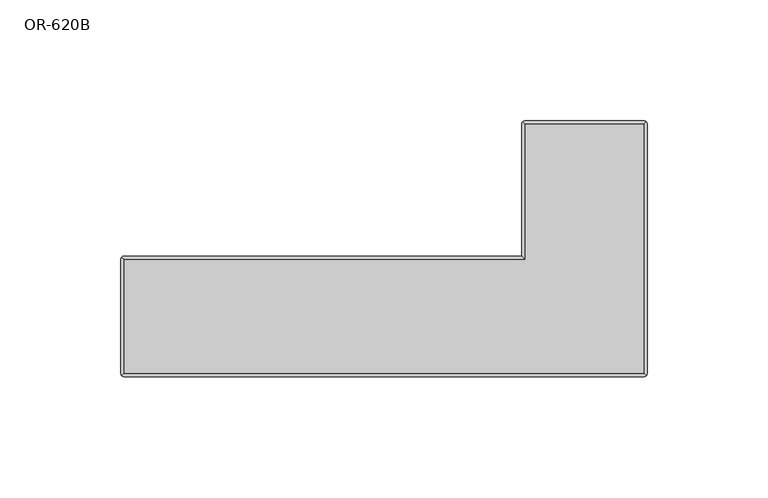
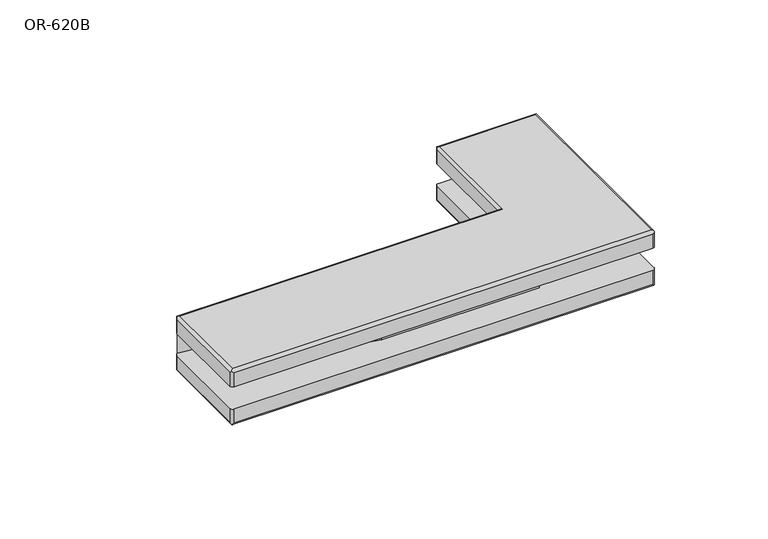
"""IFC4 building model written with IfcOpenShell, lengths in millimetres: proxy geometry, OR-620B."""

from ifc_helpers import new_model, si_unit, point, frame, frame_2d, origin, place, context, project, spatial, polyline, circle_curve, ellipse_curve, trimmed, segment, composite_curve, outline, extrude, source, transform, mapped, element, save
from ifc_brep_helpers import plane_surface, cylinder_surface, advanced_brep


def or_620b_b1f61013(model_context):
    return source(origin(), model_context, "Body", "SolidModel", [
        extrude(outline(composite_curve([segment(trimmed(circle_curve(frame_2d((-13.1737193, 70.4813944)), 82.7129477), [point((-24.0, -11.5199676))], [point((-69.1339955, 9.5726166))], False, "CARTESIAN"), True, "CONTINUOUS"), segment(trimmed(circle_curve(frame_2d((-108.74459, -33.5406963)), 58.547049), [point((-69.1339955, 9.5726166))], [point((-107.882136, 25.0))], True, "CARTESIAN"), True, "CONTINUOUS"), segment(polyline([(-107.882136, 25.0), (-24.0, 25.0), (-24.0, 15.0), (6.0, 15.0), (6.0, 25.0), (57.0, 25.0), (57.0, -11.5199676), (-24.0, -11.5199676)]), True, "CONTINUOUS")], self_intersect=False)), frame((0.0, 0.0, -12.0), z_axis=(0.0, 0.0, 1.0), x_axis=(1.0, 0.0, 0.0)), (0.0, 0.0, 1.0), 12.0),
        advanced_brep(
        [(57.0, 25.0, -12.0), (-107.5, 25.0, -12.0), (-109.0, 23.5, -12.0), (-109.0, -23.5, -12.0), (-107.5, -25.0, -12.0), (107.5, -25.0, -12.0), (109.0, -23.5, -12.0), (109.0, 79.5, -12.0), (107.5, 81.0, -12.0), (58.5, 81.0, -12.0), (57.0, 79.5, -12.0), (107.5, 79.5, -21.0), (107.5, -23.5, -21.0), (-107.5, -23.5, -21.0), (-107.5, 23.5, -21.0), (58.5, 23.5, -21.0), (58.5, 79.5, -21.0), (57.0, 25.0, -19.5), (-107.5, 25.0, -19.5), (-109.0, 23.5, -19.5), (-109.0, -23.5, -19.5), (-107.5, -25.0, -19.5), (107.5, -25.0, -19.5), (109.0, -23.5, -19.5), (109.0, 79.5, -19.5), (108.5606602, -24.5606602, -20.5606602), (108.5606602, 80.5606602, -20.5606602), (107.5, 81.0, -19.5), (-108.5606602, -24.5606602, -20.5606602), (-108.5606602, 24.5606602, -20.5606602), (58.5, 81.0, -19.5), (57.0, 79.5, -19.5), (57.4393398, 80.5606602, -20.5606602)],
        [
            (0, 1),
            (1, 2, circle_curve(frame((-107.5, 23.5, -12.0), z_axis=(0.0, 0.0, 1.0), x_axis=(0.0, 1.0, 0.0)), 1.5)),
            (2, 3),
            (3, 4, circle_curve(frame((-107.5, -23.5, -12.0), z_axis=(0.0, 0.0, 1.0), x_axis=(0.0, 1.0, 0.0)), 1.5)),
            (4, 5),
            (5, 6, circle_curve(frame((107.5, -23.5, -12.0), z_axis=(0.0, 0.0, 1.0), x_axis=(0.0, 1.0, 0.0)), 1.5)),
            (6, 7),
            (7, 8, circle_curve(frame((107.5, 79.5, -12.0), z_axis=(0.0, 0.0, 1.0), x_axis=(0.0, 1.0, 0.0)), 1.5)),
            (8, 9),
            (9, 10, circle_curve(frame((58.5, 79.5, -12.0), z_axis=(0.0, 0.0, 1.0), x_axis=(0.0, -1.0, 0.0)), 1.5)),
            (10, 0),
            (11, 12),
            (12, 13),
            (13, 14),
            (14, 15),
            (15, 16),
            (16, 11),
            (0, 17),
            (17, 18),
            (18, 1),
            (2, 19),
            (19, 20),
            (20, 3),
            (4, 21),
            (21, 22),
            (22, 5),
            (6, 23),
            (23, 24),
            (24, 7),
            (22, 25, ellipse_curve(frame((107.5, -23.5, -19.5), z_axis=(0.7071067811865475, 0.0, 0.7071067811865475), x_axis=(-0.7071067811865474, 0.0, 0.7071067811865476)), 2.1213203, 1.5)),
            (25, 23, ellipse_curve(frame((107.5, -23.5, -19.5), z_axis=(0.0, -0.7071067811865475, 0.7071067811865475), x_axis=(0.0, 0.7071067811865474, 0.7071067811865476)), 2.1213203, 1.5)),
            (24, 26, ellipse_curve(frame((107.5, 79.5, -19.5), z_axis=(0.0, 0.7071067811865475, 0.7071067811865475), x_axis=(0.0, -0.7071067811865474, 0.7071067811865476)), 2.1213203, 1.5)),
            (26, 27, ellipse_curve(frame((107.5, 79.5, -19.5), z_axis=(0.7071067811865475, 0.0, 0.7071067811865475), x_axis=(-0.7071067811865474, 0.0, 0.7071067811865476)), 2.1213203, 1.5)),
            (27, 8),
            (20, 28, ellipse_curve(frame((-107.5, -23.5, -19.5), z_axis=(0.0, -0.7071067811865475, 0.7071067811865475), x_axis=(0.0, 0.7071067811865474, 0.7071067811865476)), 2.1213203, 1.5)),
            (28, 21, ellipse_curve(frame((-107.5, -23.5, -19.5), z_axis=(-0.7071067811865475, 0.0, 0.7071067811865475), x_axis=(0.7071067811865474, 0.0, 0.7071067811865476)), 2.1213203, 1.5)),
            (18, 29, ellipse_curve(frame((-107.5, 23.5, -19.5), z_axis=(-0.7071067811865475, 0.0, 0.7071067811865475), x_axis=(0.7071067811865474, 0.0, 0.7071067811865476)), 2.1213203, 1.5)),
            (29, 19, ellipse_curve(frame((-107.5, 23.5, -19.5), z_axis=(0.0, 0.7071067811865475, 0.7071067811865475), x_axis=(0.0, -0.7071067811865474, 0.7071067811865476)), 2.1213203, 1.5)),
            (25, 12, ellipse_curve(frame((107.5, -23.5, -19.5), z_axis=(0.7071067811865476, 0.7071067811865475, 0.0), x_axis=(0.7071067811865475, -0.7071067811865475, 0.0)), 2.1213203, 1.5)),
            (11, 26, ellipse_curve(frame((107.5, 79.5, -19.5), z_axis=(0.7071067811865464, -0.7071067811865488, 0.0), x_axis=(-0.7071067811865487, -0.7071067811865462, 0.0)), 2.1213203, 1.5)),
            (28, 13, ellipse_curve(frame((-107.5, -23.5, -19.5), z_axis=(0.7071067811865475, -0.7071067811865476, 0.0), x_axis=(-0.7071067811865475, -0.7071067811865475, 0.0)), 2.1213203, 1.5)),
            (29, 14, ellipse_curve(frame((-107.5, 23.5, -19.5), z_axis=(-0.7071067811865476, -0.7071067811865475, 0.0), x_axis=(-0.7071067811865475, 0.7071067811865475, 0.0)), 2.1213203, 1.5)),
            (17, 15, ellipse_curve(frame((58.5, 23.5, -19.5), z_axis=(-0.7071067811865481, -0.7071067811865468, 0.0), x_axis=(0.707106781186547, -0.707106781186548, 0.0)), 2.1213203, 1.5)),
            (27, 30),
            (30, 9),
            (10, 31),
            (31, 17),
            (31, 32, ellipse_curve(frame((58.5, 79.5, -19.5), z_axis=(0.0, -0.7071067811865475, -0.7071067811865475), x_axis=(0.0, 0.7071067811865476, -0.7071067811865474)), 2.1213203, 1.5)),
            (32, 16, ellipse_curve(frame((58.5, 79.5, -19.5), z_axis=(-0.7071067811865492, -0.7071067811865457, 0.0), x_axis=(-0.7071067811865455, 0.7071067811865495, 0.0)), 2.1213203, 1.5)),
            (32, 30, ellipse_curve(frame((58.5, 79.5, -19.5), z_axis=(0.7071067811865475, 0.0, -0.7071067811865475), x_axis=(0.7071067811865476, 0.0, 0.7071067811865474)), 2.1213203, 1.5)),
        ],
        [
            plane_surface(frame((-109.0, 25.0, -12.0), z_axis=(0.0, 0.0, 1.0), x_axis=(-1.0, 0.0, 0.0))),
            plane_surface(frame((-109.0, 25.0, -21.0), z_axis=(0.0, 0.0, -1.0), x_axis=(1.0, 0.0, 0.0))),
            plane_surface(frame((57.0, 25.0, -12.0), z_axis=(0.0, 1.0, 0.0), x_axis=(0.0, 0.0, -1.0))),
            plane_surface(frame((-109.0, 25.0, -12.0), z_axis=(-1.0, 0.0, 0.0), x_axis=(0.0, 0.0, -1.0))),
            plane_surface(frame((-109.0, -25.0, -12.0), z_axis=(0.0, -1.0, 0.0), x_axis=(0.0, 0.0, -1.0))),
            plane_surface(frame((109.0, -25.0, -12.0), z_axis=(1.0, 0.0, 0.0), x_axis=(0.0, 0.0, -1.0))),
            cylinder_surface(frame((107.5, -23.5, 9.0), z_axis=(0.0, 0.0, 1.0), x_axis=(0.0, 1.0, 0.0)), 1.5),
            cylinder_surface(frame((107.5, 79.5, -12.0), z_axis=(0.0, 0.0, 1.0), x_axis=(0.0, 1.0, 0.0)), 1.5),
            cylinder_surface(frame((-107.5, -23.5, -12.0), z_axis=(0.0, 0.0, 1.0), x_axis=(0.0, 1.0, 0.0)), 1.5),
            cylinder_surface(frame((-107.5, 23.5, -12.0), z_axis=(0.0, 0.0, 1.0), x_axis=(0.0, 1.0, 0.0)), 1.5),
            cylinder_surface(frame((107.5, 81.0, -19.5), z_axis=(0.0, -1.0, 0.0), x_axis=(-1.0, 0.0, 0.0)), 1.5),
            cylinder_surface(frame((109.0, -23.5, -19.5), z_axis=(-1.0, 0.0, 0.0), x_axis=(0.0, 1.0, 0.0)), 1.5),
            cylinder_surface(frame((-107.5, -25.0, -19.5), z_axis=(0.0, 1.0, 0.0), x_axis=(1.0, 0.0, 0.0)), 1.5),
            cylinder_surface(frame((-109.0, 23.5, -19.5), z_axis=(1.0, 0.0, 0.0), x_axis=(0.0, -1.0, 0.0)), 1.5),
            plane_surface(frame((109.0, 81.0, -12.0), z_axis=(0.0, 1.0, 0.0), x_axis=(0.0, 0.0, -1.0))),
            plane_surface(frame((57.0, 81.0, -12.0), z_axis=(-1.0, 0.0, 0.0), x_axis=(0.0, 0.0, -1.0))),
            cylinder_surface(frame((58.5, 25.0, -19.5), z_axis=(0.0, 1.0, 0.0), x_axis=(1.0, 0.0, 0.0)), 1.5),
            cylinder_surface(frame((57.0, 79.5, -19.5), z_axis=(1.0, 0.0, 0.0), x_axis=(0.0, -1.0, 0.0)), 1.5),
            cylinder_surface(frame((58.5, 79.5, 9.0), z_axis=(0.0, 0.0, 1.0), x_axis=(0.0, -1.0, 0.0)), 1.5),
        ],
        [
            (0, [[1, 2, 3, 4, 5, 6, 7, 8, 9, 10, 11]]),
            (1, [[12, 13, 14, 15, 16, 17]]),
            (2, [[-1, 18, 19, 20]]),
            (3, [[-3, 21, 22, 23]]),
            (4, [[-5, 24, 25, 26]]),
            (5, [[-7, 27, 28, 29]]),
            (6, [[-6, -26, 30, 31, -27]]),
            (7, [[-8, -29, 32, 33, 34]]),
            (8, [[-4, -23, 35, 36, -24]]),
            (9, [[-2, -20, 37, 38, -21]]),
            (10, [[39, -12, 40, -32, -28, -31]]),
            (11, [[-39, -30, -25, -36, 41, -13]]),
            (12, [[-41, -35, -22, -38, 42, -14]]),
            (13, [[43, -15, -42, -37, -19]]),
            (14, [[-34, 44, 45, -9]]),
            (15, [[-18, -11, 46, 47]]),
            (16, [[-43, -47, 48, 49, -16]]),
            (17, [[-40, -17, -49, 50, -44, -33]]),
            (18, [[-10, -45, -50, -48, -46]]),
        ],
    ),
        advanced_brep(
        [(-107.5, -23.5, 9.0), (107.5, -23.5, 9.0), (107.5, 79.5, 9.0), (58.5, 79.5, 9.0), (58.5, 23.5, 9.0), (-107.5, 23.5, 9.0), (109.0, 79.5, 0.0), (109.0, -23.5, 0.0), (107.5, -25.0, 0.0), (-107.5, -25.0, 0.0), (-109.0, -23.5, 0.0), (-109.0, 23.5, 0.0), (-107.5, 25.0, 0.0), (57.0, 25.0, 0.0), (57.0, 79.5, 0.0), (58.5, 81.0, 0.0), (107.5, 81.0, 0.0), (57.0, 25.0, 7.5), (-107.5, 25.0, 7.5), (-109.0, -23.5, 7.5), (-109.0, 23.5, 7.5), (107.5, -25.0, 7.5), (-107.5, -25.0, 7.5), (109.0, 79.5, 7.5), (109.0, -23.5, 7.5), (-108.5606602, -24.5606602, 8.5606602), (108.5606602, -24.5606602, 8.5606602), (108.5606602, 80.5606602, 8.5606602), (-108.5606602, 24.5606602, 8.5606602), (107.5, 81.0, 7.5), (58.5, 81.0, 7.5), (57.0, 79.5, 7.5), (57.4393398, 80.5606602, 8.5606602)],
        [
            (0, 1),
            (1, 2),
            (2, 3),
            (3, 4),
            (4, 5),
            (5, 0),
            (6, 7),
            (7, 8, circle_curve(frame((107.5, -23.5, 0.0), z_axis=(0.0, 0.0, -1.0), x_axis=(0.0, 1.0, 0.0)), 1.5)),
            (8, 9),
            (9, 10, circle_curve(frame((-107.5, -23.5, 0.0), z_axis=(0.0, 0.0, -1.0), x_axis=(0.0, 1.0, 0.0)), 1.5)),
            (10, 11),
            (11, 12, circle_curve(frame((-107.5, 23.5, 0.0), z_axis=(0.0, 0.0, -1.0), x_axis=(0.0, 1.0, 0.0)), 1.5)),
            (12, 13),
            (13, 14),
            (14, 15, circle_curve(frame((58.5, 79.5, 0.0), z_axis=(0.0, 0.0, -1.0), x_axis=(0.0, -1.0, 0.0)), 1.5)),
            (15, 16),
            (16, 6, circle_curve(frame((107.5, 79.5, 0.0), z_axis=(0.0, 0.0, -1.0), x_axis=(0.0, 1.0, 0.0)), 1.5)),
            (17, 13),
            (12, 18),
            (18, 17),
            (10, 19),
            (19, 20),
            (20, 11),
            (8, 21),
            (21, 22),
            (22, 9),
            (6, 23),
            (23, 24),
            (24, 7),
            (0, 25, ellipse_curve(frame((-107.5, -23.5, 7.5), z_axis=(0.7071067811865475, -0.7071067811865475, 0.0), x_axis=(0.7071067811865477, 0.7071067811865474, 0.0)), 2.1213203, 1.5)),
            (25, 22, ellipse_curve(frame((-107.5, -23.5, 7.5), z_axis=(0.7071067811865475, 0.0, 0.7071067811865475), x_axis=(0.7071067811865476, 0.0, -0.7071067811865474)), 2.1213203, 1.5)),
            (21, 26, ellipse_curve(frame((107.5, -23.5, 7.5), z_axis=(-0.7071067811865475, 0.0, 0.7071067811865475), x_axis=(0.7071067811865476, 0.0, 0.7071067811865474)), 2.1213203, 1.5)),
            (26, 1, ellipse_curve(frame((107.5, -23.5, 7.5), z_axis=(-0.7071067811865475, -0.7071067811865475, 0.0), x_axis=(0.7071067811865476, -0.7071067811865474, 0.0)), 2.1213203, 1.5)),
            (26, 24, ellipse_curve(frame((107.5, -23.5, 7.5), z_axis=(0.0, 0.7071067811865475, 0.7071067811865475), x_axis=(0.0, 0.7071067811865476, -0.7071067811865474)), 2.1213203, 1.5)),
            (23, 27, ellipse_curve(frame((107.5, 79.5, 7.5), z_axis=(0.0, -0.7071067811865475, 0.7071067811865475), x_axis=(0.0, 0.7071067811865476, 0.7071067811865474)), 2.1213203, 1.5)),
            (27, 2, ellipse_curve(frame((107.5, 79.5, 7.5), z_axis=(0.7071067811865464, -0.7071067811865487, 0.0), x_axis=(0.7071067811865487, 0.7071067811865464, 0.0)), 2.1213203, 1.5)),
            (4, 17, ellipse_curve(frame((58.5, 23.5, 7.5), z_axis=(-0.7071067811865481, -0.7071067811865469, 0.0), x_axis=(-0.7071067811865469, 0.7071067811865481, 0.0)), 2.1213203, 1.5)),
            (18, 28, ellipse_curve(frame((-107.5, 23.5, 7.5), z_axis=(0.7071067811865475, 0.0, 0.7071067811865475), x_axis=(-0.7071067811865476, 0.0, 0.7071067811865474)), 2.1213203, 1.5)),
            (28, 5, ellipse_curve(frame((-107.5, 23.5, 7.5), z_axis=(0.7071067811865475, 0.7071067811865475, 0.0), x_axis=(-0.7071067811865476, 0.7071067811865474, 0.0)), 2.1213203, 1.5)),
            (28, 20, ellipse_curve(frame((-107.5, 23.5, 7.5), z_axis=(0.0, -0.7071067811865475, 0.7071067811865475), x_axis=(0.0, -0.7071067811865476, -0.7071067811865474)), 2.1213203, 1.5)),
            (19, 25, ellipse_curve(frame((-107.5, -23.5, 7.5), z_axis=(0.0, 0.7071067811865475, 0.7071067811865475), x_axis=(0.0, -0.7071067811865476, 0.7071067811865474)), 2.1213203, 1.5)),
            (16, 29),
            (29, 27, ellipse_curve(frame((107.5, 79.5, 7.5), z_axis=(0.7071067811865475, 0.0, -0.7071067811865475), x_axis=(0.7071067811865474, 0.0, 0.7071067811865476)), 2.1213203, 1.5)),
            (15, 30),
            (30, 29),
            (17, 31),
            (31, 14),
            (30, 32, ellipse_curve(frame((58.5, 79.5, 7.5), z_axis=(0.7071067811865475, 0.0, 0.7071067811865475), x_axis=(-0.7071067811865476, 0.0, 0.7071067811865474)), 2.1213203, 1.5)),
            (32, 3, ellipse_curve(frame((58.5, 79.5, 7.5), z_axis=(0.7071067811865492, 0.7071067811865457, 0.0), x_axis=(-0.7071067811865458, 0.7071067811865492, 0.0)), 2.1213203, 1.5)),
            (32, 31, ellipse_curve(frame((58.5, 79.5, 7.5), z_axis=(0.0, -0.7071067811865475, 0.7071067811865475), x_axis=(0.0, -0.7071067811865476, -0.7071067811865474)), 2.1213203, 1.5)),
        ],
        [
            plane_surface(frame((-109.0, 25.0, 9.0), z_axis=(0.0, 0.0, 1.0), x_axis=(-1.0, 0.0, 0.0))),
            plane_surface(frame((-109.0, 25.0, 0.0), z_axis=(0.0, 0.0, -1.0), x_axis=(1.0, 0.0, 0.0))),
            plane_surface(frame((57.0, 25.0, 9.0), z_axis=(0.0, 1.0, 0.0), x_axis=(0.0, 0.0, -1.0))),
            plane_surface(frame((-109.0, 25.0, 9.0), z_axis=(-1.0, 0.0, 0.0), x_axis=(0.0, 0.0, -1.0))),
            plane_surface(frame((-109.0, -25.0, 9.0), z_axis=(0.0, -1.0, 0.0), x_axis=(0.0, 0.0, -1.0))),
            plane_surface(frame((109.0, -25.0, 9.0), z_axis=(1.0, 0.0, 0.0), x_axis=(0.0, 0.0, -1.0))),
            cylinder_surface(frame((-109.0, -23.5, 7.5), z_axis=(1.0, 0.0, 0.0), x_axis=(0.0, 1.0, 0.0)), 1.5),
            cylinder_surface(frame((107.5, -25.0, 7.5), z_axis=(0.0, 1.0, 0.0), x_axis=(-1.0, 0.0, 0.0)), 1.5),
            cylinder_surface(frame((57.0, 23.5, 7.5), z_axis=(-1.0, 0.0, 0.0), x_axis=(0.0, -1.0, 0.0)), 1.5),
            cylinder_surface(frame((-107.5, 25.0, 7.5), z_axis=(0.0, -1.0, 0.0), x_axis=(1.0, 0.0, 0.0)), 1.5),
            cylinder_surface(frame((107.5, -23.5, 9.0), z_axis=(0.0, 0.0, 1.0), x_axis=(0.0, 1.0, 0.0)), 1.5),
            cylinder_surface(frame((107.5, 79.5, -12.0), z_axis=(0.0, 0.0, 1.0), x_axis=(0.0, 1.0, 0.0)), 1.5),
            cylinder_surface(frame((-107.5, -23.5, -12.0), z_axis=(0.0, 0.0, 1.0), x_axis=(0.0, 1.0, 0.0)), 1.5),
            cylinder_surface(frame((-107.5, 23.5, -12.0), z_axis=(0.0, 0.0, 1.0), x_axis=(0.0, 1.0, 0.0)), 1.5),
            plane_surface(frame((109.0, 81.0, 9.0), z_axis=(0.0, 1.0, 0.0), x_axis=(0.0, 0.0, -1.0))),
            plane_surface(frame((57.0, 81.0, 9.0), z_axis=(-1.0, 0.0, 0.0), x_axis=(0.0, 0.0, -1.0))),
            cylinder_surface(frame((109.0, 79.5, 7.5), z_axis=(-1.0, 0.0, 0.0), x_axis=(0.0, -1.0, 0.0)), 1.5),
            cylinder_surface(frame((58.5, 81.0, 7.5), z_axis=(0.0, -1.0, 0.0), x_axis=(1.0, 0.0, 0.0)), 1.5),
            cylinder_surface(frame((58.5, 79.5, 9.0), z_axis=(0.0, 0.0, 1.0), x_axis=(0.0, -1.0, 0.0)), 1.5),
        ],
        [
            (0, [[1, 2, 3, 4, 5, 6]]),
            (1, [[7, 8, 9, 10, 11, 12, 13, 14, 15, 16, 17]]),
            (2, [[18, -13, 19, 20]]),
            (3, [[-11, 21, 22, 23]]),
            (4, [[-9, 24, 25, 26]]),
            (5, [[-7, 27, 28, 29]]),
            (6, [[-1, 30, 31, -25, 32, 33]]),
            (7, [[-2, -33, 34, -28, 35, 36]]),
            (8, [[37, -20, 38, 39, -5]]),
            (9, [[-6, -39, 40, -22, 41, -30]]),
            (10, [[-8, -29, -34, -32, -24]]),
            (11, [[-17, 42, 43, -35, -27]]),
            (12, [[-10, -26, -31, -41, -21]]),
            (13, [[-12, -23, -40, -38, -19]]),
            (14, [[-42, -16, 44, 45]]),
            (15, [[-18, 46, 47, -14]]),
            (16, [[-3, -36, -43, -45, 48, 49]]),
            (17, [[-37, -4, -49, 50, -46]]),
            (18, [[-15, -47, -50, -48, -44]]),
        ],
    ),
    ])


if __name__ == "__main__":
    model = new_model("IFC4")
    model_context = context("Model", 3, world=origin())
    ifc_project = project(units=[si_unit("LENGTHUNIT", "METRE", prefix="MILLI")], contexts=[model_context])
    site = spatial("IfcSite", under=ifc_project)
    building = spatial("IfcBuilding", under=site)
    placement = place(None, origin())
    or_620b_shape = or_620b_b1f61013(model_context)
    element("IfcBuildingElementProxy", 1, Name="OR-620B", ObjectType="OR-620B", at=placement, inside=building, context=model_context, shape_type="MappedRepresentation", body=[
        mapped(or_620b_shape, transform((0.0, 0.0, 0.0), x_axis=(1.0, 0.0, 0.0), y_axis=(0.0, 1.0, 0.0), z_axis=(0.0, 0.0, 1.0))),
    ])
    save(model, "model.ifc")
